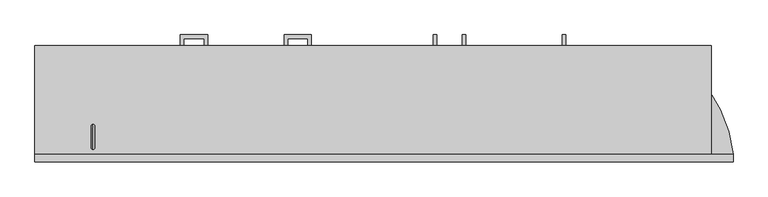
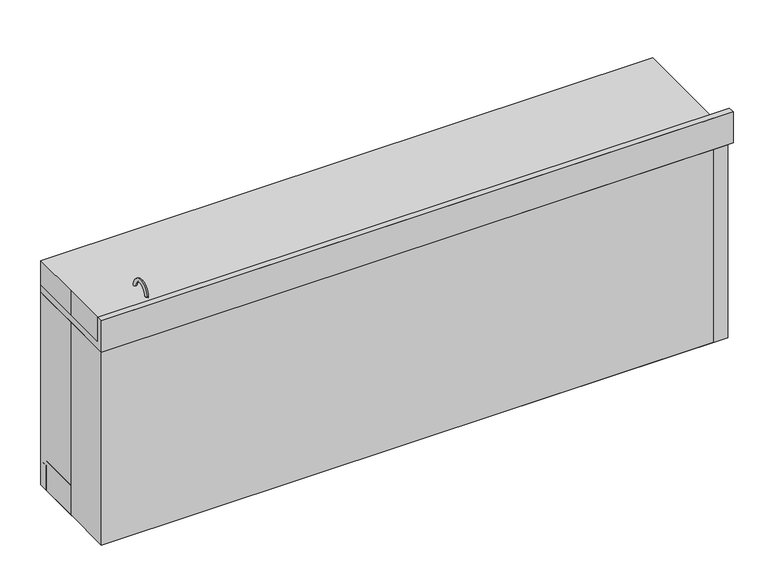
"""IFC4 building model written with IfcOpenShell, lengths in millimetres: proxy geometry."""

from ifc_helpers import new_model, si_unit, point, frame, frame_2d, origin, origin_with_axes, place, context, project, spatial, polyline, circle_curve, ellipse_curve, trimmed, segment, composite_curve, outline, extrude, source, transform, mapped, element, save
from ifc_brep_helpers import plane_surface, cylinder_surface, revolved_surface, advanced_brep


def specialty_equipment_48ce8e15(model_context):
    return source(origin(), model_context, "Body", "SolidModel", [
        extrude(outline(polyline([(-349.25, 241.3), (-254.0, 241.3), (-254.0, 203.2), (-266.6840701, 203.2), (-266.6840701, 228.6159299), (-336.5659299, 228.6159299), (-336.5659299, 203.2), (-349.25, 203.2), (-349.25, 241.3)])), frame((0.0, 0.0, 441.325), z_axis=(0.0, 0.0, 1.0), x_axis=(1.0, 0.0, 0.0)), (0.0, 0.0, 1.0), 12.7),
        extrude(outline(polyline([(-349.25, 241.3), (-254.0, 241.3), (-254.0, 203.2), (-266.6840701, 203.2), (-266.6840701, 228.6159299), (-336.5659299, 228.6159299), (-336.5659299, 203.2), (-349.25, 203.2), (-349.25, 241.3)])), frame((0.0, 0.0, 557.5355807), z_axis=(0.0, 0.0, 1.0), x_axis=(1.0, 0.0, 0.0)), (0.0, 0.0, 1.0), 12.7),
        extrude(outline(polyline([(-349.25, 241.3), (-254.0, 241.3), (-254.0, 203.2), (-266.6840701, 203.2), (-266.6840701, 228.6159299), (-336.5659299, 228.6159299), (-336.5659299, 203.2), (-349.25, 203.2), (-349.25, 241.3)])), frame((0.0, 0.0, 702.8311322), z_axis=(0.0, 0.0, 1.0), x_axis=(1.0, 0.0, 0.0)), (0.0, 0.0, 1.0), 12.7),
        extrude(outline(polyline([(-711.2, 241.3), (-615.95, 241.3), (-615.95, 203.2), (-628.6340701, 203.2), (-628.6340701, 228.6159299), (-698.5159299, 228.6159299), (-698.5159299, 203.2), (-711.2, 203.2), (-711.2, 241.3)])), frame((0.0, 0.0, 702.8311322), z_axis=(0.0, 0.0, 1.0), x_axis=(1.0, 0.0, 0.0)), (0.0, 0.0, 1.0), 12.7),
        extrude(outline(polyline([(-711.2, 241.3), (-615.95, 241.3), (-615.95, 203.2), (-628.6340701, 203.2), (-628.6340701, 228.6159299), (-698.5159299, 228.6159299), (-698.5159299, 203.2), (-711.2, 203.2), (-711.2, 241.3)])), frame((0.0, 0.0, 557.5355807), z_axis=(0.0, 0.0, 1.0), x_axis=(1.0, 0.0, 0.0)), (0.0, 0.0, 1.0), 12.7),
        extrude(outline(polyline([(-711.2, 241.3), (-615.95, 241.3), (-615.95, 203.2), (-628.6340701, 203.2), (-628.6340701, 228.6159299), (-698.5159299, 228.6159299), (-698.5159299, 203.2), (-711.2, 203.2), (-711.2, 241.3)])), frame((0.0, 0.0, 441.325), z_axis=(0.0, 0.0, 1.0), x_axis=(1.0, 0.0, 0.0)), (0.0, 0.0, 1.0), 12.7),
        extrude(outline(polyline([(-711.2, 241.3), (-615.95, 241.3), (-615.95, 203.2), (-628.6340701, 203.2), (-628.6340701, 228.6159299), (-698.5159299, 228.6159299), (-698.5159299, 203.2), (-711.2, 203.2), (-711.2, 241.3)])), frame((0.0, 0.0, 339.725), z_axis=(0.0, 0.0, 1.0), x_axis=(1.0, 0.0, 0.0)), (0.0, 0.0, 1.0), 12.7),
        extrude(outline(polyline([(-711.2, 241.3), (-615.95, 241.3), (-615.95, 203.2), (-628.6340701, 203.2), (-628.6340701, 228.6159299), (-698.5159299, 228.6159299), (-698.5159299, 203.2), (-711.2, 203.2), (-711.2, 241.3)])), frame((0.0, 0.0, 201.9355807), z_axis=(0.0, 0.0, 1.0), x_axis=(1.0, 0.0, 0.0)), (0.0, 0.0, 1.0), 12.7),
        extrude(outline(polyline([(241.3, 711.2), (241.3, 615.95), (203.2, 615.95), (203.2, 628.6340701), (228.6159299, 628.6340701), (228.6159299, 698.5159299), (203.2, 698.5159299), (203.2, 711.2), (241.3, 711.2)])), frame((622.3, 0.0, 0.0), z_axis=(1.0, 0.0, 0.0), x_axis=(0.0, 1.0, 0.0)), (0.0, 0.0, 1.0), 12.7),
        extrude(outline(polyline([(241.3, 711.2), (241.3, 615.95), (203.2, 615.95), (203.2, 628.6340701), (228.6159299, 628.6340701), (228.6159299, 698.5159299), (203.2, 698.5159299), (203.2, 711.2), (241.3, 711.2)])), frame((273.05, 0.0, 0.0), z_axis=(1.0, 0.0, 0.0), x_axis=(0.0, 1.0, 0.0)), (0.0, 0.0, 1.0), 12.7),
        extrude(outline(polyline([(241.3, 711.2), (241.3, 615.95), (203.2, 615.95), (203.2, 628.6340701), (228.6159299, 628.6340701), (228.6159299, 698.5159299), (203.2, 698.5159299), (203.2, 711.2), (241.3, 711.2)])), frame((273.05, 0.0, 0.0), z_axis=(1.0, 0.0, 0.0), x_axis=(0.0, 1.0, 0.0)), (0.0, 0.0, 1.0), 12.7),
        extrude(outline(polyline([(241.3, 711.2), (241.3, 615.95), (203.2, 615.95), (203.2, 628.6340701), (228.6159299, 628.6340701), (228.6159299, 698.5159299), (203.2, 698.5159299), (203.2, 711.2), (241.3, 711.2)])), frame((171.45, 0.0, 0.0), z_axis=(1.0, 0.0, 0.0), x_axis=(0.0, 1.0, 0.0)), (0.0, 0.0, 1.0), 12.7),
        extrude(outline(polyline([(193.675, 774.7), (203.2, 774.7), (203.2, 635.0), (184.15, 635.0), (184.15, 787.4), (193.675, 787.4), (193.675, 774.7)])), frame((-1206.5, 0.0, 0.0), z_axis=(1.0, 0.0, 0.0), x_axis=(0.0, 1.0, 0.0)), (0.0, 0.0, 1.0), 355.6),
        extrude(outline(polyline([(184.15, 101.6), (184.15, 787.2846899), (193.675, 787.2846899), (193.675, 635.0), (203.2, 635.0), (203.2, 101.6), (184.15, 101.6)])), frame((-1206.5, 0.0, 0.0), z_axis=(1.0, 0.0, 0.0), x_axis=(0.0, 1.0, 0.0)), (0.0, 0.0, 1.0), 355.6),
        advanced_brep(
        [(-1028.9461263, 12.6976148, 676.275), (-1014.0443585, 25.2053012, 676.275), (-1003.5461263, 12.6976148, 676.275), (-1003.5461263, 12.6976148, 679.45), (-1014.0443585, 25.2053012, 679.45), (-1028.9461263, 12.6976148, 679.45), (-1014.0443585, 0.1899284, 679.45), (-1014.0443585, 0.1899284, 676.275), (-1014.0443585, 165.0080446, 787.3899582), (-1014.0443585, 153.8955446, 787.3899582), (-1014.0443585, -128.6794554, 787.3899582), (-1014.0443585, -139.7919554, 787.3899582), (-1014.0443585, 152.3080446, 785.8024582), (-1014.0443585, -127.0919554, 785.8024582), (-1014.0443585, 152.3080446, 730.25), (-1014.0443585, -127.0919554, 730.25), (-1014.0443585, 101.5080446, 679.45), (-1014.0443585, -76.2919554, 679.45), (-1014.0443585, 158.6580446, 676.275), (-1014.0443585, 158.6580446, 784.0168572), (-1014.0443585, -133.4419554, 784.0168572), (-1014.0443585, -133.4419554, 676.275), (-1014.0443585, 165.0080446, 784.0168572), (-1014.0443585, -139.7919554, 784.0168572)],
        [
            (0, 1, circle_curve(frame((-1016.2461263, 12.6976148, 676.275), z_axis=(0.0, 0.0, -1.0), x_axis=(-1.0, 0.0, 0.0)), 12.7)),
            (1, 2, circle_curve(frame((-1016.2461263, 12.6976148, 676.275), z_axis=(0.0, 0.0, -1.0), x_axis=(-1.0, 0.0, 0.0)), 12.7)),
            (2, 3),
            (3, 4, circle_curve(frame((-1016.2461263, 12.6976148, 679.45), z_axis=(0.0, 0.0, 1.0), x_axis=(-1.0, 0.0, 0.0)), 12.7)),
            (4, 5, circle_curve(frame((-1016.2461263, 12.6976148, 679.45), z_axis=(0.0, 0.0, 1.0), x_axis=(-1.0, 0.0, 0.0)), 12.7)),
            (5, 0),
            (5, 6, circle_curve(frame((-1016.2461263, 12.6976148, 679.45), z_axis=(0.0, 0.0, 1.0), x_axis=(-1.0, 0.0, 0.0)), 12.7)),
            (6, 3, circle_curve(frame((-1016.2461263, 12.6976148, 679.45), z_axis=(0.0, 0.0, 1.0), x_axis=(-1.0, 0.0, 0.0)), 12.7)),
            (2, 7, circle_curve(frame((-1016.2461263, 12.6976148, 676.275), z_axis=(0.0, 0.0, -1.0), x_axis=(-1.0, 0.0, 0.0)), 12.7)),
            (7, 0, circle_curve(frame((-1016.2461263, 12.6976148, 676.275), z_axis=(0.0, 0.0, -1.0), x_axis=(-1.0, 0.0, 0.0)), 12.7)),
            (8, 9),
            (9, 10, circle_curve(frame((-1014.0443585, 12.6080446, 787.3899582), z_axis=(0.0, 0.0, -1.0), x_axis=(0.0, -1.0, 0.0)), 141.2875)),
            (10, 11),
            (11, 8, circle_curve(frame((-1014.0443585, 12.6080446, 787.3899582), z_axis=(0.0, 0.0, 1.0), x_axis=(0.0, -1.0, 0.0)), 152.4)),
            (10, 9, circle_curve(frame((-1014.0443585, 12.6080446, 787.3899582), z_axis=(0.0, 0.0, -1.0), x_axis=(0.0, -1.0, 0.0)), 141.2875)),
            (8, 11, circle_curve(frame((-1014.0443585, 12.6080446, 787.3899582), z_axis=(0.0, 0.0, 1.0), x_axis=(0.0, -1.0, 0.0)), 152.4)),
            (9, 12, circle_curve(frame((-1014.0443585, 153.8955446, 785.8024582), z_axis=(1.0, 0.0, 0.0), x_axis=(0.0, 1.0, 0.0)), 1.5875)),
            (12, 13, circle_curve(frame((-1014.0443585, 12.6080446, 785.8024582), z_axis=(0.0, 0.0, -1.0), x_axis=(0.0, -1.0, 0.0)), 139.7)),
            (13, 10, circle_curve(frame((-1014.0443585, -128.6794554, 785.8024582), z_axis=(1.0, 0.0, 0.0), x_axis=(0.0, -1.0, 0.0)), 1.5875)),
            (13, 12, circle_curve(frame((-1014.0443585, 12.6080446, 785.8024582), z_axis=(0.0, 0.0, -1.0), x_axis=(0.0, -1.0, 0.0)), 139.7)),
            (12, 14),
            (14, 15, circle_curve(frame((-1014.0443585, 12.6080446, 730.25), z_axis=(0.0, 0.0, -1.0), x_axis=(0.0, -1.0, 0.0)), 139.7)),
            (15, 13),
            (15, 14, circle_curve(frame((-1014.0443585, 12.6080446, 730.25), z_axis=(0.0, 0.0, -1.0), x_axis=(0.0, -1.0, 0.0)), 139.7)),
            (16, 4),
            (6, 17),
            (17, 16, circle_curve(frame((-1014.0443585, 12.6080446, 679.45), z_axis=(0.0, 0.0, 1.0), x_axis=(0.0, -1.0, 0.0)), 88.9)),
            (16, 17, circle_curve(frame((-1014.0443585, 12.6080446, 679.45), z_axis=(0.0, 0.0, 1.0), x_axis=(0.0, -1.0, 0.0)), 88.9)),
            (18, 19),
            (19, 20, circle_curve(frame((-1014.0443585, 12.6080446, 784.0168572), z_axis=(0.0, 0.0, -1.0), x_axis=(0.0, -1.0, 0.0)), 146.05)),
            (20, 21),
            (21, 18, circle_curve(frame((-1014.0443585, 12.6080446, 676.275), z_axis=(0.0, 0.0, 1.0), x_axis=(0.0, -1.0, 0.0)), 146.05)),
            (20, 19, circle_curve(frame((-1014.0443585, 12.6080446, 784.0168572), z_axis=(0.0, 0.0, -1.0), x_axis=(0.0, -1.0, 0.0)), 146.05)),
            (18, 21, circle_curve(frame((-1014.0443585, 12.6080446, 676.275), z_axis=(0.0, 0.0, 1.0), x_axis=(0.0, -1.0, 0.0)), 146.05)),
            (19, 22),
            (22, 23, circle_curve(frame((-1014.0443585, 12.6080446, 784.0168572), z_axis=(0.0, 0.0, -1.0), x_axis=(0.0, -1.0, 0.0)), 152.4)),
            (23, 20),
            (23, 22, circle_curve(frame((-1014.0443585, 12.6080446, 784.0168572), z_axis=(0.0, 0.0, -1.0), x_axis=(0.0, -1.0, 0.0)), 152.4)),
            (11, 23),
            (22, 8),
            (21, 7),
            (1, 18),
            (14, 16, circle_curve(frame((-1014.0443585, 101.5080446, 730.25), z_axis=(-1.0, 0.0, 0.0), x_axis=(0.0, 1.0, 0.0)), 50.8)),
            (17, 15, circle_curve(frame((-1014.0443585, -76.2919554, 730.25), z_axis=(-1.0, 0.0, 0.0), x_axis=(0.0, -1.0, 0.0)), 50.8)),
        ],
        [
            revolved_surface(polyline([(-1028.9461263, 12.6976148, 679.45), (-1028.9461263, 12.6976148, 676.275)]), (-1016.2461263, 12.6976148, 673.1), (0.0, 0.0, 1.0)),
            plane_surface(frame((-1014.0443585, 12.6080446, 787.3899582), z_axis=(0.0, 0.0, 1.0), x_axis=(0.0, -1.0, 0.0))),
            revolved_surface(trimmed(ellipse_curve(frame((-1014.0443585, -128.6794554, 785.8024582), z_axis=(1.0, 0.0, 0.0), x_axis=(0.0, -1.0, 0.0)), 1.5875, 1.5875), [point((-1014.0443585, -127.0919554, 785.8024582))], [point((-1014.0443585, -128.6794554, 787.3899582))], True, "CARTESIAN"), (-1014.0443585, 12.6080446, 787.4), (0.0, 0.0, -1.0)),
            revolved_surface(polyline([(-1014.0443585, -127.09195539999999, 730.25), (-1014.0443585, -127.09195539999999, 785.8024582)]), (-1014.0443585, 12.6080446, 787.4), (0.0, 0.0, -1.0)),
            plane_surface(frame((-1014.0443585, 12.6080446, 679.45), z_axis=(0.0, 0.0, 1.0), x_axis=(0.0, -1.0, 0.0))),
            cylinder_surface(frame((-1014.0443585, 12.6080446, 787.4), z_axis=(0.0, 0.0, -1.0), x_axis=(0.0, -1.0, 0.0)), 146.05),
            plane_surface(frame((-1014.0443585, 12.6080446, 784.0168572), z_axis=(0.0, 0.0, -1.0), x_axis=(0.0, -1.0, 0.0))),
            cylinder_surface(frame((-1014.0443585, 12.6080446, 787.4), z_axis=(0.0, 0.0, -1.0), x_axis=(0.0, -1.0, 0.0)), 152.4),
            plane_surface(frame((-1014.0443585, 12.6080446, 676.275), z_axis=(0.0, 0.0, -1.0), x_axis=(0.0, -1.0, 0.0))),
            revolved_surface(trimmed(ellipse_curve(frame((-1014.0443585, -76.2919554, 730.25), z_axis=(-1.0, 0.0, 0.0), x_axis=(0.0, -1.0, 0.0)), 50.8, 50.8), [point((-1014.0443585, -76.2919554, 679.45))], [point((-1014.0443585, -127.0919554, 730.25))], True, "CARTESIAN"), (-1014.0443585, 12.6080446, 787.4), (0.0, 0.0, -1.0)),
        ],
        [
            (0, [[1, 2, 3, 4, 5, 6]]),
            (0, [[7, 8, -3, 9, 10, -6]]),
            (1, [[11, 12, 13, 14]]),
            (1, [[15, -11, 16, -13]]),
            (2, [[17, 18, 19, -12]]),
            (2, [[-19, 20, -17, -15]]),
            (3, [[21, 22, 23, -18]]),
            (3, [[-23, 24, -21, -20]]),
            (4, [[25, -4, -8, 26, 27]]),
            (4, [[-26, -7, -5, -25, 28]]),
            (5, [[29, 30, 31, 32]]),
            (5, [[33, -29, 34, -31]]),
            (6, [[35, 36, 37, -30]]),
            (6, [[-37, 38, -35, -33]]),
            (7, [[39, -36, 40, -14]]),
            (7, [[-40, -38, -39, -16]]),
            (8, [[41, -9, -2, 42, -32]]),
            (8, [[-42, -1, -10, -41, -34]]),
            (9, [[43, -27, 44, -22]]),
            (9, [[-44, -28, -43, -24]]),
        ],
    ),
        extrude(outline(polyline([(184.15, 101.6), (184.15, 787.2846899), (193.675, 787.2846899), (193.675, 774.4822891), (203.2, 774.4822891), (203.2, 101.6), (184.15, 101.6)])), frame((584.2, 0.0, 0.0), z_axis=(1.0, 0.0, 0.0), x_axis=(0.0, 1.0, 0.0)), (0.0, 0.0, 1.0), 355.6),
        extrude(outline(polyline([(184.15, 101.6), (184.15, 787.4), (193.675, 787.4), (193.675, 774.7), (203.2, 774.7), (203.2, 101.6), (184.15, 101.6)])), frame((228.6, 0.0, 0.0), z_axis=(1.0, 0.0, 0.0), x_axis=(0.0, 1.0, 0.0)), (0.0, 0.0, 1.0), 355.6),
        extrude(outline(polyline([(184.15, 101.6), (184.15, 787.4), (193.675, 787.4), (193.675, 774.7), (203.2, 774.7), (203.2, 101.6), (184.15, 101.6)])), frame((-127.0, 0.0, 0.0), z_axis=(1.0, 0.0, 0.0), x_axis=(0.0, 1.0, 0.0)), (0.0, 0.0, 1.0), 355.6),
        extrude(outline(polyline([(193.675, 774.7), (203.2, 774.7), (203.2, 635.0), (184.15, 635.0), (184.15, 787.4), (193.675, 787.4), (193.675, 774.7)])), frame((-482.6, 0.0, 0.0), z_axis=(1.0, 0.0, 0.0), x_axis=(0.0, 1.0, 0.0)), (0.0, 0.0, 1.0), 355.6),
        extrude(outline(polyline([(193.675, 622.9156171), (203.2, 622.9156171), (203.2, 508.0524006), (184.15, 508.0524006), (184.15, 635.0), (193.675, 635.0), (193.675, 622.9156171)])), frame((-482.6, 0.0, 0.0), z_axis=(1.0, 0.0, 0.0), x_axis=(0.0, 1.0, 0.0)), (0.0, 0.0, 1.0), 355.6),
        extrude(outline(polyline([(193.675, 495.2120809), (203.2, 495.2120809), (203.2, 101.6), (184.15, 101.6), (184.15, 508.0517033), (193.675, 508.0517033), (193.675, 495.2120809)])), frame((-482.6, 0.0, 0.0), z_axis=(1.0, 0.0, 0.0), x_axis=(0.0, 1.0, 0.0)), (0.0, 0.0, 1.0), 355.6),
        extrude(outline(composite_curve([segment(trimmed(circle_curve(frame_2d((-1053.7479232, -156.0133962)), 12.7), [point((-1041.0479232, -156.0133962))], [point((-1066.4479232, -156.0133962))], False, "CARTESIAN"), True, "CONTINUOUS"), segment(trimmed(circle_curve(frame_2d((-1053.7479232, -156.0133962)), 12.7), [point((-1066.4479232, -156.0133962))], [point((-1041.0479232, -156.0133962))], False, "CARTESIAN"), True, "CONTINUOUS")], self_intersect=False)), frame((0.0, 0.0, 812.8), z_axis=(0.0, 0.0, 1.0), x_axis=(1.0, 0.0, 0.0)), (0.0, 0.0, 1.0), 31.75),
        extrude(outline(composite_curve([segment(trimmed(circle_curve(frame_2d((-980.5384765, -156.0133962)), 12.7), [point((-967.8384765, -156.0133962))], [point((-993.2384765, -156.0133962))], False, "CARTESIAN"), True, "CONTINUOUS"), segment(trimmed(circle_curve(frame_2d((-980.5384765, -156.0133962)), 12.7), [point((-993.2384765, -156.0133962))], [point((-967.8384765, -156.0133962))], False, "CARTESIAN"), True, "CONTINUOUS")], self_intersect=False)), frame((0.0, 0.0, 812.8), z_axis=(0.0, 0.0, 1.0), x_axis=(1.0, 0.0, 0.0)), (0.0, 0.0, 1.0), 31.75),
        advanced_brep(
        [(-1016.415785, -148.0147812, 812.8), (-1016.415785, -160.7147812, 812.8), (-1016.415785, -148.0147812, 914.4), (-1016.415785, -160.7147812, 914.4), (-1016.415785, -84.5147812, 914.4), (-1016.415785, -71.8147812, 914.4)],
        [
            (0, 1, circle_curve(frame((-1016.415785, -154.3647812, 812.8), z_axis=(0.0, 0.0, -1.0), x_axis=(0.0, -1.0, 0.0)), 6.35)),
            (1, 0, circle_curve(frame((-1016.415785, -154.3647812, 812.8), z_axis=(0.0, 0.0, -1.0), x_axis=(0.0, -1.0, 0.0)), 6.35)),
            (0, 2),
            (2, 3, circle_curve(frame((-1016.415785, -154.3647812, 914.4), z_axis=(0.0, 0.0, -1.0), x_axis=(0.0, -1.0, 0.0)), 6.35)),
            (3, 1),
            (3, 2, circle_curve(frame((-1016.415785, -154.3647812, 914.4), z_axis=(0.0, 0.0, -1.0), x_axis=(0.0, -1.0, 0.0)), 6.35)),
            (4, 5, circle_curve(frame((-1016.415785, -78.1647812, 914.4), z_axis=(0.0, 0.0, -1.0), x_axis=(0.0, 1.0, 0.0)), 6.35)),
            (5, 4, circle_curve(frame((-1016.415785, -78.1647812, 914.4), z_axis=(0.0, 0.0, -1.0), x_axis=(0.0, 1.0, 0.0)), 6.35)),
            (5, 3, circle_curve(frame((-1016.415785, -116.2647812, 914.4), z_axis=(1.0, 0.0, 0.0), x_axis=(0.0, -1.0, 0.0)), 44.45)),
            (2, 4, circle_curve(frame((-1016.415785, -116.2647812, 914.4), z_axis=(-1.0, 0.0, 0.0), x_axis=(0.0, -1.0, 0.0)), 31.75)),
        ],
        [
            plane_surface(frame((-1104.9, -154.3647812, 812.8), z_axis=(0.0, 0.0, -1.0), x_axis=(-1.0, 0.0, 0.0))),
            cylinder_surface(frame((-1016.415785, -154.3647812, 812.8), z_axis=(0.0, 0.0, -1.0), x_axis=(0.0, -1.0, 0.0)), 6.35),
            plane_surface(frame((-1104.9, -78.1647812, 914.4), z_axis=(0.0, 0.0, -1.0), x_axis=(-1.0, 0.0, 0.0))),
            revolved_surface(trimmed(ellipse_curve(frame((-1016.415785, -154.3647812, 914.4), z_axis=(0.0, 0.0, 1.0), x_axis=(0.0, -1.0, 0.0)), 6.35, 6.35), [point((-1016.415785, -160.7147812, 914.4))], [point((-1016.415785, -148.0147812, 914.4))], True, "CARTESIAN"), (-1104.9, -116.2647812, 914.4), (1.0, 0.0, 0.0)),
            revolved_surface(trimmed(ellipse_curve(frame((-1016.415785, -154.3647812, 914.4), z_axis=(0.0, 0.0, 1.0), x_axis=(0.0, -1.0, 0.0)), 6.35, 6.35), [point((-1016.415785, -148.0147812, 914.4))], [point((-1016.415785, -160.7147812, 914.4))], True, "CARTESIAN"), (-1104.9, -116.2647812, 914.4), (1.0, 0.0, 0.0)),
        ],
        [
            (0, [[1, 2]]),
            (1, [[3, 4, 5, -1]]),
            (1, [[-5, 6, -3, -2]]),
            (2, [[7, 8]]),
            (3, [[-8, 9, -4, 10]]),
            (4, [[-7, -10, -6, -9]]),
        ],
    ),
        extrude(outline(polyline([(193.675, 774.7), (203.2, 774.7), (203.2, 635.0), (184.15, 635.0), (184.15, 787.4), (193.675, 787.4), (193.675, 774.7)])), frame((-838.2, 0.0, 0.0), z_axis=(1.0, 0.0, 0.0), x_axis=(0.0, 1.0, 0.0)), (0.0, 0.0, 1.0), 355.6),
        extrude(outline(polyline([(193.675, 622.9156171), (203.2, 622.9156171), (203.2, 508.0), (184.15, 508.0), (184.15, 635.0), (193.675, 635.0), (193.675, 622.9156171)])), frame((-838.2, 0.0, 0.0), z_axis=(1.0, 0.0, 0.0), x_axis=(0.0, 1.0, 0.0)), (0.0, 0.0, 1.0), 355.6),
        extrude(outline(polyline([(193.675, 495.3), (203.2, 495.3), (203.2, 406.4), (184.15, 406.4), (184.15, 508.0), (193.675, 508.0), (193.675, 495.3)])), frame((-838.2, 0.0, 0.0), z_axis=(1.0, 0.0, 0.0), x_axis=(0.0, 1.0, 0.0)), (0.0, 0.0, 1.0), 355.6),
        extrude(outline(polyline([(193.675, 393.7), (203.2, 393.7), (203.2, 304.8), (184.15, 304.8), (184.15, 406.4), (193.675, 406.4), (193.675, 393.7)])), frame((-838.2, 0.0, 0.0), z_axis=(1.0, 0.0, 0.0), x_axis=(0.0, 1.0, 0.0)), (0.0, 0.0, 1.0), 355.6),
        extrude(outline(polyline([(193.675, 292.1), (203.2, 292.1), (203.2, 101.6), (184.15, 101.6), (184.15, 304.8), (193.675, 304.8), (193.675, 292.1)])), frame((-838.2, 0.0, 0.0), z_axis=(1.0, 0.0, 0.0), x_axis=(0.0, 1.0, 0.0)), (0.0, 0.0, 1.0), 355.6),
        advanced_brep(
        [(1219.2, -203.2, 787.4), (1219.2, -177.8, 787.4), (1219.2, -177.8, 812.8), (1219.2, -177.8, 863.6), (1219.2, -177.8, 914.4), (1219.2, -203.2, 914.4), (-1219.2, -177.8, 914.4), (-1219.2, -177.8, 812.8), (-1219.2, 203.2, 812.8), (-1219.2, 203.2, 787.4), (-1219.2, -203.2, 787.4), (-1219.2, -203.2, 914.4), (939.8, 203.2, 812.8), (-874.2071906, 12.5959993, 812.8), (-1153.6071906, 12.5959993, 812.8), (939.8, 203.2, 787.4), (-1153.6071906, 12.5959993, 787.4), (-874.2071906, 12.5959993, 787.4)],
        [
            (0, 1),
            (1, 2),
            (2, 3),
            (3, 4),
            (4, 5),
            (5, 0),
            (6, 7),
            (7, 8),
            (8, 9),
            (9, 10),
            (10, 11),
            (11, 6),
            (6, 4),
            (2, 7),
            (2, 12, circle_curve(frame((763.8405952, -218.7835635, 812.8), z_axis=(0.0, 0.0, 1.0), x_axis=(1.0, 0.0, 0.0)), 457.2)),
            (12, 8),
            (13, 14, circle_curve(frame((-1013.9071906, 12.5959993, 812.8), z_axis=(0.0, 0.0, -1.0), x_axis=(-1.0, 0.0, 0.0)), 139.7)),
            (14, 13, circle_curve(frame((-1013.9071906, 12.5959993, 812.8), z_axis=(0.0, 0.0, -1.0), x_axis=(-1.0, 0.0, 0.0)), 139.7)),
            (12, 15),
            (15, 9),
            (15, 1, circle_curve(frame((763.8405952, -218.7835635, 787.4), z_axis=(0.0, 0.0, -1.0), x_axis=(1.0, 0.0, 0.0)), 457.2)),
            (0, 10),
            (16, 17, circle_curve(frame((-1013.9071906, 12.5959993, 787.4), z_axis=(0.0, 0.0, 1.0), x_axis=(-1.0, 0.0, 0.0)), 139.7)),
            (17, 16, circle_curve(frame((-1013.9071906, 12.5959993, 787.4), z_axis=(0.0, 0.0, 1.0), x_axis=(-1.0, 0.0, 0.0)), 139.7)),
            (5, 11),
            (17, 13),
            (14, 16),
        ],
        [
            plane_surface(frame((1219.2, -177.8, 812.8), z_axis=(1.0, 0.0, 0.0), x_axis=(0.0, 0.0, -1.0))),
            plane_surface(frame((-1219.2, -177.8, 812.8), z_axis=(-1.0, 0.0, 0.0), x_axis=(0.0, 0.0, 1.0))),
            plane_surface(frame((1219.2, -177.8, 914.4), z_axis=(0.0, 1.0, 0.0), x_axis=(-1.0, 0.0, 0.0))),
            plane_surface(frame((1219.2, -177.8, 812.8), z_axis=(0.0, 0.0, 1.0), x_axis=(-1.0, 0.0, 0.0))),
            plane_surface(frame((1219.2, 203.2, 812.8), z_axis=(0.0, 1.0, 0.0), x_axis=(-1.0, 0.0, 0.0))),
            plane_surface(frame((1219.2, 203.2, 787.4), z_axis=(0.0, 0.0, -1.0), x_axis=(-1.0, 0.0, 0.0))),
            plane_surface(frame((1219.2, -203.2, 787.4), z_axis=(0.0, -1.0, 0.0), x_axis=(-1.0, 0.0, 0.0))),
            plane_surface(frame((1219.2, -203.2, 914.4), z_axis=(0.0, 0.0, 1.0), x_axis=(-1.0, 0.0, 0.0))),
            revolved_surface(polyline([(-1153.6071906, 12.5959993, 812.8), (-1153.6071906, 12.5959993, 787.4)]), (-1013.9071906, 12.5959993, 768.35), (0.0, 0.0, 1.0)),
            cylinder_surface(frame((763.8405952, -218.7835635, 736.6), z_axis=(0.0, 0.0, -1.0), x_axis=(1.0, 0.0, 0.0)), 457.2),
        ],
        [
            (0, [[1, 2, 3, 4, 5, 6]]),
            (1, [[7, 8, 9, 10, 11, 12]]),
            (2, [[13, -4, -3, 14, -7]]),
            (3, [[-14, 15, 16, -8], [17, 18]]),
            (4, [[-16, 19, 20, -9]]),
            (5, [[-20, 21, -1, 22, -10], [23, 24]]),
            (6, [[25, -11, -22, -6]]),
            (7, [[-13, -12, -25, -5]]),
            (8, [[-24, 26, -18, 27]]),
            (8, [[-17, -26, -23, -27]]),
            (9, [[-21, -19, -15, -2]]),
        ],
    ),
        extrude(outline(polyline([(-1219.2, -203.2), (-1219.2, 0.0), (-1219.2, 203.2), (1143.0, 203.2), (1143.0, -203.2), (-1219.2, -203.2)])), origin_with_axes(), (0.0, 0.0, 1.0), 914.4),
        extrude(outline(polyline([(-184.15, 787.4), (184.15, 787.4), (184.15, 101.6), (165.1, 101.6), (165.1, 0.0), (-184.15, 0.0), (-184.15, 787.4)])), frame((-1219.2, 0.0, 0.0), z_axis=(1.0, 0.0, 0.0), x_axis=(0.0, 1.0, 0.0)), (0.0, 0.0, 1.0), 12.7),
        extrude(outline(polyline([(-184.15, 785.890324), (184.15, 785.890324), (184.15, 101.6), (165.1, 101.6), (165.1, 0.0), (-184.15, 0.0), (-184.15, 785.890324)])), frame((939.8, 0.0, 0.0), z_axis=(1.0, 0.0, 0.0), x_axis=(0.0, 1.0, 0.0)), (0.0, 0.0, 1.0), 12.7),
        extrude(outline(polyline([(1199.3554733, -184.15), (1199.3554733, -203.2), (-850.9, -203.2), (-850.9, -184.15), (1199.3554733, -184.15)])), origin_with_axes(), (0.0, 0.0, 1.0), 787.6898809),
        extrude(outline(polyline([(-117.475, -184.15), (-136.525, -184.15), (-136.525, 184.15), (-117.475, 184.15), (-117.475, -184.15)])), frame((0.0, 0.0, 120.7166954), z_axis=(0.0, 0.0, 1.0), x_axis=(1.0, 0.0, 0.0)), (0.0, 0.0, 1.0), 653.9833046),
        extrude(outline(polyline([(-184.15, 787.4), (184.15, 787.4), (184.15, 101.6), (165.1, 101.6), (165.1, 120.7166954), (-184.15, 120.7166954), (-184.15, 787.4)])), frame((-850.9, 0.0, 0.0), z_axis=(1.0, 0.0, 0.0), x_axis=(0.0, 1.0, 0.0)), (0.0, 0.0, 1.0), 12.7),
        extrude(outline(polyline([(-473.075, -184.15), (-492.125, -184.15), (-492.125, 184.15), (-473.075, 184.15), (-473.075, -184.15)])), frame((0.0, 0.0, 120.7166954), z_axis=(0.0, 0.0, 1.0), x_axis=(1.0, 0.0, 0.0)), (0.0, 0.0, 1.0), 666.6833046),
        extrude(outline(polyline([(952.5, 184.15), (952.5, 165.1), (-1219.2, 165.1), (-1219.2, 184.15), (952.5, 184.15)])), origin_with_axes(), (0.0, 0.0, 1.0), 101.6),
        extrude(outline(polyline([(-1219.2, -184.15), (-1219.2, 184.15), (939.8, 184.15), (939.8, -184.15), (-1219.2, -184.15)])), frame((0.0, 0.0, 101.6), z_axis=(0.0, 0.0, 1.0), x_axis=(1.0, 0.0, 0.0)), (0.0, 0.0, 1.0), 19.1166954),
    ])


if __name__ == "__main__":
    model = new_model("IFC4")
    model_context = context("Model", 3, world=origin())
    ifc_project = project(units=[si_unit("LENGTHUNIT", "METRE", prefix="MILLI")], contexts=[model_context])
    site = spatial("IfcSite", under=ifc_project)
    building = spatial("IfcBuilding", under=site)
    placement = place(None, origin())
    specialty_equipment_shape = specialty_equipment_48ce8e15(model_context)
    element("IfcBuildingElementProxy", 1, Name="Specialty Equipment", at=placement, inside=building, context=model_context, shape_type="MappedRepresentation", body=[
        mapped(specialty_equipment_shape, transform((0.0, 0.0, 0.0), x_axis=(1.0, 0.0, 0.0), y_axis=(0.0, 1.0, 0.0), z_axis=(0.0, 0.0, 1.0))),
    ])
    save(model, "model.ifc")
